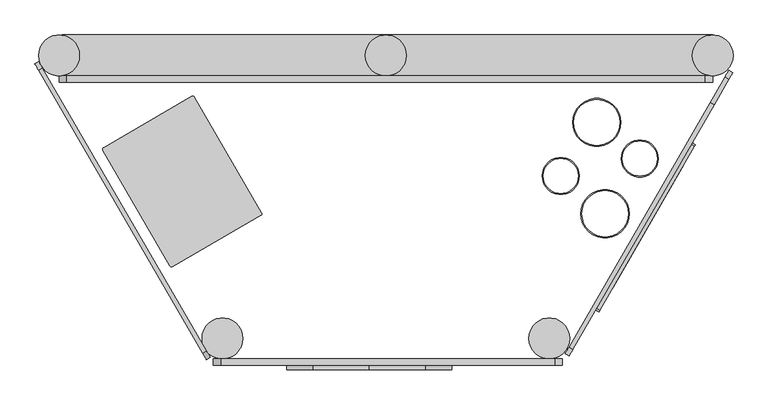
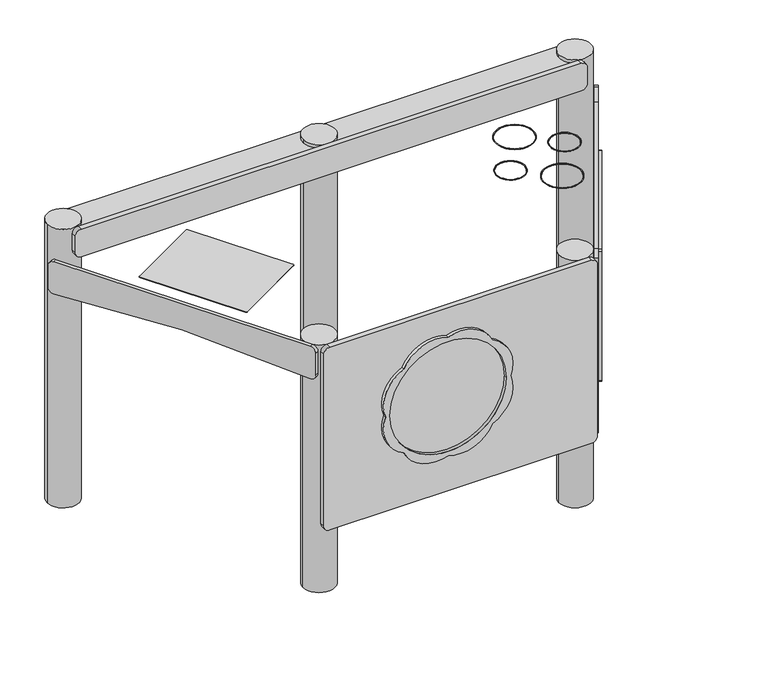
"""IFC4 building model written with IfcOpenShell, lengths in millimetres: furniture geometry."""

from ifc_helpers import new_model, si_unit, point, frame, frame_2d, origin, origin_2d, place, context, project, spatial, polyline, circle_curve, trimmed, segment, composite_curve, outline, extrude, source, transform, mapped, element, save
from ifc_brep_helpers import plane_surface, cylinder_surface, revolved_surface, advanced_brep


def furniture_b21cda7e(model_context):
    return source(origin(), model_context, "Body", "SolidModel", [
        extrude(outline(composite_curve([segment(polyline([(912.0, 1740.0), (912.0, 20.0)]), True, "CONTINUOUS"), segment(trimmed(circle_curve(frame_2d((892.0, 20.0)), 20.0), [point((912.0, 20.0))], [point((892.0, 0.0))], False, "CARTESIAN"), True, "CONTINUOUS"), segment(polyline([(892.0, 0.0), (832.0, 0.0)]), True, "CONTINUOUS"), segment(trimmed(circle_curve(frame_2d((832.0, 20.0)), 20.0), [point((832.0, 0.0))], [point((812.0, 20.0))], False, "CARTESIAN"), True, "CONTINUOUS"), segment(polyline([(812.0, 20.0), (812.0, 1740.0)]), True, "CONTINUOUS"), segment(trimmed(circle_curve(frame_2d((832.0, 1740.0)), 20.0), [point((812.0, 1740.0))], [point((832.0, 1760.0))], False, "CARTESIAN"), True, "CONTINUOUS"), segment(polyline([(832.0, 1760.0), (892.0, 1760.0)]), True, "CONTINUOUS"), segment(trimmed(circle_curve(frame_2d((892.0, 1740.0)), 20.0), [point((892.0, 1760.0))], [point((912.0, 1740.0))], False, "CARTESIAN"), True, "CONTINUOUS")], self_intersect=False)), frame((0.0, -72.5400568, 0.0), z_axis=(0.0, 1.0, 0.0), x_axis=(0.0, 0.0, 1.0)), (0.0, 0.0, 1.0), 17.5400568),
        advanced_brep(
        [(1760.0, 55.0, 900.0), (10.0, 55.0, 900.0), (7.030214, 54.5488413, 900.0), (55.0, 0.0, 900.0), (7.030214, -54.5488413, 900.0), (10.0, -55.0, 900.0), (1760.0, -55.0, 900.0), (1705.0, 0.0, 900.0), (1760.0, 55.0, 888.0), (1705.0, 0.0, 888.0), (1760.0, -55.0, 888.0), (10.0, -55.0, 888.0), (7.030214, -54.5488413, 888.0), (55.0, 0.0, 888.0), (7.030214, 54.5488413, 888.0), (10.0, 55.0, 888.0)],
        [
            (0, 1),
            (1, 2, circle_curve(frame((10.0, 45.0, 900.0), z_axis=(0.0, 0.0, 1.0), x_axis=(1.0, 0.0, 0.0)), 10.0)),
            (2, 3, circle_curve(frame((0.0, 0.0, 900.0), z_axis=(0.0, 0.0, -1.0), x_axis=(1.0, 0.0, 0.0)), 55.0)),
            (3, 4, circle_curve(frame((0.0, 0.0, 900.0), z_axis=(0.0, 0.0, -1.0), x_axis=(1.0, 0.0, 0.0)), 55.0)),
            (4, 5, circle_curve(frame((10.0, -45.0, 900.0), z_axis=(0.0, 0.0, 1.0), x_axis=(1.0, 0.0, 0.0)), 10.0)),
            (5, 6),
            (6, 7, circle_curve(frame((1760.0, 0.0, 900.0), z_axis=(0.0, 0.0, -1.0), x_axis=(1.0, 0.0, 0.0)), 55.0)),
            (7, 0, circle_curve(frame((1760.0, 0.0, 900.0), z_axis=(0.0, 0.0, -1.0), x_axis=(1.0, 0.0, 0.0)), 55.0)),
            (8, 9, circle_curve(frame((1760.0, 0.0, 888.0), z_axis=(0.0, 0.0, 1.0), x_axis=(1.0, 0.0, 0.0)), 55.0)),
            (9, 10, circle_curve(frame((1760.0, 0.0, 888.0), z_axis=(0.0, 0.0, 1.0), x_axis=(1.0, 0.0, 0.0)), 55.0)),
            (10, 11),
            (11, 12, circle_curve(frame((10.0, -45.0, 888.0), z_axis=(0.0, 0.0, -1.0), x_axis=(1.0, 0.0, 0.0)), 10.0)),
            (12, 13, circle_curve(frame((0.0, 0.0, 888.0), z_axis=(0.0, 0.0, 1.0), x_axis=(1.0, 0.0, 0.0)), 55.0)),
            (13, 14, circle_curve(frame((0.0, 0.0, 888.0), z_axis=(0.0, 0.0, 1.0), x_axis=(1.0, 0.0, 0.0)), 55.0)),
            (14, 15, circle_curve(frame((10.0, 45.0, 888.0), z_axis=(0.0, 0.0, -1.0), x_axis=(1.0, 0.0, 0.0)), 10.0)),
            (15, 8),
            (0, 8),
            (15, 1),
            (14, 2),
            (13, 3),
            (12, 4),
            (11, 5),
            (10, 6),
            (9, 7),
        ],
        [
            plane_surface(frame((54.9264069, 55.0, 900.0), z_axis=(0.0, 0.0, 1.0), x_axis=(-1.0, 0.0, 0.0))),
            plane_surface(frame((54.9264069, 55.0, 888.0), z_axis=(0.0, 0.0, -1.0), x_axis=(1.0, 0.0, 0.0))),
            plane_surface(frame((1760.0, 55.0, 900.0), z_axis=(0.0, 1.0, 0.0), x_axis=(0.0, 0.0, -1.0))),
            cylinder_surface(frame((10.0, 45.0, 888.0), z_axis=(0.0, 0.0, 1.0), x_axis=(1.0, 0.0, 0.0)), 10.0),
            revolved_surface(polyline([(55.0, 0.0, 888.0), (55.0, 0.0, 900.0)]), (0.0, 0.0, 888.0), (0.0, 0.0, -1.0)),
            cylinder_surface(frame((10.0, -45.0, 888.0), z_axis=(0.0, 0.0, 1.0), x_axis=(1.0, 0.0, 0.0)), 10.0),
            plane_surface(frame((10.0, -55.0, 900.0), z_axis=(0.0, -1.0, 0.0), x_axis=(0.0, 0.0, -1.0))),
            revolved_surface(polyline([(1815.0, 0.0, 888.0), (1815.0, 0.0, 900.0)]), (1760.0, 0.0, 888.0), (0.0, 0.0, -1.0)),
        ],
        [
            (0, [[1, 2, 3, 4, 5, 6, 7, 8]]),
            (1, [[9, 10, 11, 12, 13, 14, 15, 16]]),
            (2, [[-1, 17, -16, 18]]),
            (3, [[-2, -18, -15, 19]]),
            (4, [[-3, -19, -14, 20]]),
            (4, [[-4, -20, -13, 21]]),
            (5, [[-5, -21, -12, 22]]),
            (6, [[-6, -22, -11, 23]]),
            (7, [[-7, -23, -10, 24]]),
            (7, [[-8, -24, -9, -17]]),
        ],
    ),
        extrude(outline(composite_curve([segment(polyline([(134.984166, 434.9079904), (134.984166, 1334.9079904)]), True, "CONTINUOUS"), segment(trimmed(circle_curve(frame_2d((154.984166, 1334.9079904)), 20.0), [point((134.984166, 1334.9079904))], [point((154.984166, 1354.9079904))], False, "CARTESIAN"), True, "CONTINUOUS"), segment(polyline([(154.984166, 1354.9079904), (780.0, 1354.9079904)]), True, "CONTINUOUS"), segment(trimmed(circle_curve(frame_2d((780.0, 1334.9079904)), 20.0), [point((780.0, 1354.9079904))], [point((800.0, 1334.9079904))], False, "CARTESIAN"), True, "CONTINUOUS"), segment(polyline([(800.0, 1334.9079904), (800.0, 434.9079904)]), True, "CONTINUOUS"), segment(trimmed(circle_curve(frame_2d((780.0, 434.9079904)), 20.0), [point((800.0, 434.9079904))], [point((780.0, 414.9079904))], False, "CARTESIAN"), True, "CONTINUOUS"), segment(polyline([(780.0, 414.9079904), (154.984166, 414.9079904)]), True, "CONTINUOUS"), segment(trimmed(circle_curve(frame_2d((154.984166, 434.9079904)), 20.0), [point((154.984166, 414.9079904))], [point((134.984166, 434.9079904))], False, "CARTESIAN"), True, "CONTINUOUS")], self_intersect=False)), frame((0.0, -834.4104492, 0.0), z_axis=(0.0, 1.0, 0.0), x_axis=(0.0, 0.0, 1.0)), (0.0, 0.0, 1.0), 17.4104492),
        extrude(outline(composite_curve([segment(polyline([(-780.0, 0.0), (-20.0, 0.0)]), True, "CONTINUOUS"), segment(trimmed(circle_curve(frame_2d((-20.0, -20.0)), 20.0), [point((-20.0, 0.0))], [point((0.0, -20.0))], False, "CARTESIAN"), True, "CONTINUOUS"), segment(polyline([(0.0, -20.0), (0.0, -645.0432433)]), True, "CONTINUOUS"), segment(trimmed(circle_curve(frame_2d((-20.0, -645.0432433)), 20.0), [point((0.0, -645.0432433))], [point((-21.0467191, -665.015834))], False, "CARTESIAN"), True, "CONTINUOUS"), segment(polyline([(-21.0467191, -665.015834), (-860.0, -665.015834)]), True, "CONTINUOUS"), segment(trimmed(circle_curve(frame_2d((-860.0, -645.015834)), 20.0), [point((-860.0, -665.015834))], [point((-880.0, -645.015834))], False, "CARTESIAN"), True, "CONTINUOUS"), segment(polyline([(-880.0, -645.015834), (-880.0, -20.0)]), True, "CONTINUOUS"), segment(trimmed(circle_curve(frame_2d((-860.0, -20.0)), 20.0), [point((-880.0, -20.0))], [point((-860.0, 0.0))], False, "CARTESIAN"), True, "CONTINUOUS"), segment(polyline([(-860.0, 0.0), (-780.0, 0.0)]), True, "CONTINUOUS")], self_intersect=False)), frame((1373.7434808, -808.9059455, 800.0), z_axis=(-0.8660254037844382, 0.500000000000001, 0.0), x_axis=(-0.500000000000001, -0.8660254037844382, 0.0)), (0.0, 0.0, 1.0), 12.0),
        extrude(outline(composite_curve([segment(polyline([(-811.7725276, 0.0), (68.2274723, 0.0)]), True, "CONTINUOUS"), segment(trimmed(circle_curve(frame_2d((68.2274723, -20.0)), 20.0), [point((68.2274723, 0.0))], [point((88.2274724, -20.0))], False, "CARTESIAN"), True, "CONTINUOUS"), segment(polyline([(88.2274724, -20.0), (88.2274724, -97.5561272)]), True, "CONTINUOUS"), segment(trimmed(circle_curve(frame_2d((68.2274723, -97.5561272)), 20.0), [point((88.2274724, -97.5561272))], [point((65.9887279, -117.4304328))], False, "CARTESIAN"), True, "CONTINUOUS"), segment(trimmed(circle_curve(frame_2d((-371.7725276, -4003.6268237)), 3910.7745148), [point((65.9887279, -117.4304328))], [point((-809.5337831, -117.4304328))], True, "CARTESIAN"), True, "CONTINUOUS"), segment(trimmed(circle_curve(frame_2d((-811.7725276, -97.5561272)), 20.0), [point((-809.5337831, -117.4304328))], [point((-831.7725277, -97.5561272))], False, "CARTESIAN"), True, "CONTINUOUS"), segment(polyline([(-831.7725277, -97.5561272), (-831.7725277, -20.0)]), True, "CONTINUOUS"), segment(trimmed(circle_curve(frame_2d((-811.7725276, -20.0)), 20.0), [point((-831.7725277, -20.0))], [point((-811.7725276, 0.0))], False, "CARTESIAN"), True, "CONTINUOUS")], self_intersect=False)), frame((-20.6984381, -99.54674, 800.0), z_axis=(0.8650551777748035, 0.5016767279882568, 0.0), x_axis=(-0.5016767279882568, 0.8650551777748035, 0.0)), (0.0, 0.0, 1.0), 12.0),
        extrude(outline(composite_curve([segment(trimmed(circle_curve(frame_2d((440.0, -762.0)), 55.0), [point((385.0, -762.0))], [point((495.0, -762.0))], False, "CARTESIAN"), True, "CONTINUOUS"), segment(trimmed(circle_curve(frame_2d((440.0, -762.0)), 55.0), [point((495.0, -762.0))], [point((385.0, -762.0))], False, "CARTESIAN"), True, "CONTINUOUS")], self_intersect=False)), frame((0.0, 0.0, -100.0), z_axis=(0.0, 0.0, 1.0), x_axis=(1.0, 0.0, 0.0)), (0.0, 0.0, 1.0), 900.0),
        extrude(outline(composite_curve([segment(trimmed(circle_curve(frame_2d((1320.0, -762.0)), 55.0), [point((1265.0, -762.0))], [point((1375.0, -762.0))], False, "CARTESIAN"), True, "CONTINUOUS"), segment(trimmed(circle_curve(frame_2d((1320.0, -762.0)), 55.0), [point((1375.0, -762.0))], [point((1265.0, -762.0))], False, "CARTESIAN"), True, "CONTINUOUS")], self_intersect=False)), frame((0.0, 0.0, -100.0), z_axis=(0.0, 0.0, 1.0), x_axis=(1.0, 0.0, 0.0)), (0.0, 0.0, 1.0), 900.0),
        extrude(outline(composite_curve([segment(trimmed(circle_curve(frame_2d((880.0, 0.0)), 55.0), [point((825.0, 0.0))], [point((935.0, 0.0))], False, "CARTESIAN"), True, "CONTINUOUS"), segment(trimmed(circle_curve(frame_2d((880.0, 0.0)), 55.0), [point((935.0, 0.0))], [point((825.0, 0.0))], False, "CARTESIAN"), True, "CONTINUOUS")], self_intersect=False)), frame((0.0, 0.0, -100.0), z_axis=(0.0, 0.0, 1.0), x_axis=(1.0, 0.0, 0.0)), (0.0, 0.0, 1.0), 1012.0),
        extrude(outline(composite_curve([segment(trimmed(circle_curve(frame_2d((1760.0, 0.0)), 55.0), [point((1705.0, 0.0))], [point((1815.0, 0.0))], False, "CARTESIAN"), True, "CONTINUOUS"), segment(trimmed(circle_curve(frame_2d((1760.0, 0.0)), 55.0), [point((1815.0, 0.0))], [point((1705.0, 0.0))], False, "CARTESIAN"), True, "CONTINUOUS")], self_intersect=False)), frame((0.0, 0.0, -100.0), z_axis=(0.0, 0.0, 1.0), x_axis=(1.0, 0.0, 0.0)), (0.0, 0.0, 1.0), 1012.0),
        extrude(outline(composite_curve([segment(trimmed(circle_curve(origin_2d(), 55.0), [point((-55.0, 0.0))], [point((55.0, 0.0))], False, "CARTESIAN"), True, "CONTINUOUS"), segment(trimmed(circle_curve(origin_2d(), 55.0), [point((55.0, 0.0))], [point((-55.0, 0.0))], False, "CARTESIAN"), True, "CONTINUOUS")], self_intersect=False)), frame((0.0, 0.0, -100.0), z_axis=(0.0, 0.0, 1.0), x_axis=(1.0, 0.0, 0.0)), (0.0, 0.0, 1.0), 1012.0),
        extrude(outline(composite_curve([segment(polyline([(-515.0, 0.0), (-5.0000001, 0.0)]), True, "CONTINUOUS"), segment(trimmed(circle_curve(frame_2d((-5.0000001, -5.0)), 5.0), [point((-5.0000001, 0.0))], [point((0.0, -5.0))], False, "CARTESIAN"), True, "CONTINUOUS"), segment(polyline([(0.0, -5.0), (0.0, -475.0)]), True, "CONTINUOUS"), segment(trimmed(circle_curve(frame_2d((-5.0000001, -475.0)), 5.0), [point((0.0, -475.0))], [point((-5.0000001, -480.0))], False, "CARTESIAN"), True, "CONTINUOUS"), segment(polyline([(-5.0000001, -480.0), (-515.0, -480.0)]), True, "CONTINUOUS"), segment(trimmed(circle_curve(frame_2d((-515.0, -475.0)), 5.0), [point((-515.0, -480.0))], [point((-520.0, -475.0))], False, "CARTESIAN"), True, "CONTINUOUS"), segment(polyline([(-520.0, -475.0), (-520.0, -5.0)]), True, "CONTINUOUS"), segment(trimmed(circle_curve(frame_2d((-515.0, -5.0)), 5.0), [point((-520.0, -5.0))], [point((-515.0, 0.0))], False, "CARTESIAN"), True, "CONTINUOUS")], self_intersect=False), holes=[composite_curve([segment(trimmed(circle_curve(frame_2d((-447.121864, -155.2126351)), 5.0), [point((-447.121864, -150.2126351))], [point((-452.121864, -155.2126351))], True, "CARTESIAN"), True, "CONTINUOUS"), segment(polyline([(-452.121864, -155.2126351), (-452.121864, -425.2126351)]), True, "CONTINUOUS"), segment(trimmed(circle_curve(frame_2d((-447.121864, -425.2126351)), 5.0), [point((-452.121864, -425.2126351))], [point((-447.121864, -430.2126351))], True, "CARTESIAN"), True, "CONTINUOUS"), segment(polyline([(-447.121864, -430.2126351), (-77.121864, -430.2126351)]), True, "CONTINUOUS"), segment(trimmed(circle_curve(frame_2d((-77.121864, -425.2126351)), 5.0), [point((-77.121864, -430.2126351))], [point((-72.121864, -425.2126351))], True, "CARTESIAN"), True, "CONTINUOUS"), segment(polyline([(-72.121864, -425.2126351), (-72.121864, -155.2126351)]), True, "CONTINUOUS"), segment(trimmed(circle_curve(frame_2d((-77.121864, -155.2126351)), 5.0), [point((-72.121864, -155.2126351))], [point((-77.121864, -150.2126351))], True, "CARTESIAN"), True, "CONTINUOUS"), segment(polyline([(-77.121864, -150.2126351), (-447.121864, -150.2126351)]), True, "CONTINUOUS")], self_intersect=False)]), frame((1453.5286938, -690.7139029, 709.6672305), z_axis=(-0.8660254037844382, 0.5000000000000009, 0.0), x_axis=(-0.5000000000000009, -0.8660254037844382, 0.0)), (0.0, 0.0, 1.0), 10.0),
        extrude(outline(composite_curve([segment(polyline([(-439.2839543, -163.4181414), (-89.5724572, -163.4181414)]), True, "CONTINUOUS"), segment(trimmed(circle_curve(frame_2d((-89.5724572, -168.4181414)), 5.0), [point((-89.5724572, -163.4181414))], [point((-84.5724571, -168.4181414))], False, "CARTESIAN"), True, "CONTINUOUS"), segment(polyline([(-84.5724571, -168.4181414), (-84.5724571, -416.0960505)]), True, "CONTINUOUS"), segment(trimmed(circle_curve(frame_2d((-89.5724572, -416.0960505)), 5.0), [point((-84.5724571, -416.0960505))], [point((-89.5724572, -421.0960505))], False, "CARTESIAN"), True, "CONTINUOUS"), segment(polyline([(-89.5724572, -421.0960505), (-439.2839543, -421.0960505)]), True, "CONTINUOUS"), segment(trimmed(circle_curve(frame_2d((-439.2839543, -416.0960505)), 5.0), [point((-439.2839543, -421.0960505))], [point((-444.2839544, -416.0960505))], False, "CARTESIAN"), True, "CONTINUOUS"), segment(polyline([(-444.2839544, -416.0960505), (-444.2839544, -168.4181414)]), True, "CONTINUOUS"), segment(trimmed(circle_curve(frame_2d((-439.2839543, -168.4181414)), 5.0), [point((-444.2839544, -168.4181414))], [point((-439.2839543, -163.4181414))], False, "CARTESIAN"), True, "CONTINUOUS")], self_intersect=False)), frame((1453.5286938, -690.7139029, 709.6672305), z_axis=(-0.8660254037844382, 0.5000000000000009, 0.0), x_axis=(-0.5000000000000009, -0.8660254037844382, 0.0)), (0.0, 0.0, 1.0), 10.0),
        extrude(outline(composite_curve([segment(trimmed(circle_curve(frame_2d((529.7706823, 733.3146342)), 120.7614659), [point((639.612312, 683.133482))], [point((487.584354, 620.1614399))], False, "CARTESIAN"), True, "CONTINUOUS"), segment(trimmed(circle_curve(frame_2d((445.3980258, 733.3146342)), 120.7614659), [point((487.584354, 620.1614399))], [point((335.5563961, 683.133482))], False, "CARTESIAN"), True, "CONTINUOUS"), segment(trimmed(circle_curve(frame_2d((385.7375483, 792.9751117)), 120.7614659), [point((335.5563961, 683.133482))], [point((272.584354, 835.1614399))], False, "CARTESIAN"), True, "CONTINUOUS"), segment(trimmed(circle_curve(frame_2d((385.7375483, 877.3477682)), 120.7614659), [point((272.584354, 835.1614399))], [point((335.5563961, 987.1893979))], False, "CARTESIAN"), True, "CONTINUOUS"), segment(trimmed(circle_curve(frame_2d((445.3980258, 937.0082457)), 120.7614659), [point((335.5563961, 987.1893979))], [point((487.584354, 1050.1614399))], False, "CARTESIAN"), True, "CONTINUOUS"), segment(trimmed(circle_curve(frame_2d((529.7706823, 937.0082457)), 120.7614659), [point((487.584354, 1050.1614399))], [point((639.612312, 987.1893979))], False, "CARTESIAN"), True, "CONTINUOUS"), segment(trimmed(circle_curve(frame_2d((589.4311598, 877.3477682)), 120.7614659), [point((639.612312, 987.1893979))], [point((702.584354, 835.1614399))], False, "CARTESIAN"), True, "CONTINUOUS"), segment(trimmed(circle_curve(frame_2d((589.4311598, 792.9751117)), 120.7614659), [point((702.584354, 835.1614399))], [point((639.612312, 683.133482))], False, "CARTESIAN"), True, "CONTINUOUS")], self_intersect=False), holes=[composite_curve([segment(trimmed(circle_curve(frame_2d((487.584354, 835.1614399)), 200.0), [point((487.584354, 635.1614399))], [point((487.584354, 1035.1614399))], True, "CARTESIAN"), True, "CONTINUOUS"), segment(trimmed(circle_curve(frame_2d((487.584354, 835.1614399)), 200.0), [point((487.584354, 1035.1614399))], [point((487.584354, 635.1614399))], True, "CARTESIAN"), True, "CONTINUOUS")], self_intersect=False)]), frame((0.0, -846.4104492, 0.0), z_axis=(0.0, 1.0, 0.0), x_axis=(0.0, 0.0, 1.0)), (0.0, 0.0, 1.0), 12.0),
        extrude(outline(composite_curve([segment(trimmed(circle_curve(frame_2d((122.3031434, -253.0761258)), 5.0), [point((117.9778675, -255.5845094))], [point((119.7947597, -248.7508499))], False, "CARTESIAN"), True, "CONTINUOUS"), segment(polyline([(119.7947597, -248.7508499), (357.6849336, -110.7897497)]), True, "CONTINUOUS"), segment(trimmed(circle_curve(frame_2d((360.1933173, -115.1150256)), 5.0), [point((357.6849336, -110.7897497))], [point((364.5185931, -112.606642))], False, "CARTESIAN"), True, "CONTINUOUS"), segment(polyline([(364.5185931, -112.606642), (545.1222152, -424.026506)]), True, "CONTINUOUS"), segment(trimmed(circle_curve(frame_2d((540.7969393, -426.5348896)), 5.0), [point((545.1222152, -424.026506))], [point((543.305323, -430.8601655))], False, "CARTESIAN"), True, "CONTINUOUS"), segment(polyline([(543.305323, -430.8601655), (305.4151491, -568.8212657)]), True, "CONTINUOUS"), segment(trimmed(circle_curve(frame_2d((302.9067654, -564.4959898)), 5.0), [point((305.4151491, -568.8212657))], [point((298.5814896, -567.0043734))], False, "CARTESIAN"), True, "CONTINUOUS"), segment(polyline([(298.5814896, -567.0043734), (117.9778675, -255.5845094)]), True, "CONTINUOUS")], self_intersect=False)), frame((0.0, 0.0, 812.0), z_axis=(0.0, 0.0, 1.0), x_axis=(1.0, 0.0, 0.0)), (0.0, 0.0, 1.0), 1.0),
        extrude(outline(composite_curve([segment(trimmed(circle_curve(frame_2d((1563.8713657, -277.9471138)), 50.0), [point((1513.8713657, -277.9471138))], [point((1613.8713657, -277.9471138))], False, "CARTESIAN"), True, "CONTINUOUS"), segment(trimmed(circle_curve(frame_2d((1563.8713657, -277.9471138)), 50.0), [point((1613.8713657, -277.9471138))], [point((1513.8713657, -277.9471138))], False, "CARTESIAN"), True, "CONTINUOUS")], self_intersect=False), holes=[composite_curve([segment(trimmed(circle_curve(frame_2d((1563.8713657, -277.9471138)), 46.9646937), [point((1516.9066719, -277.9471138))], [point((1610.8360594, -277.9471138))], True, "CARTESIAN"), True, "CONTINUOUS"), segment(trimmed(circle_curve(frame_2d((1563.8713657, -277.9471138)), 46.9646937), [point((1610.8360594, -277.9471138))], [point((1516.9066719, -277.9471138))], True, "CARTESIAN"), True, "CONTINUOUS")], self_intersect=False)]), frame((0.0, 0.0, 812.0), z_axis=(0.0, 0.0, 1.0), x_axis=(1.0, 0.0, 0.0)), (0.0, 0.0, 1.0), 1.0),
        extrude(outline(composite_curve([segment(trimmed(circle_curve(frame_2d((1470.1635502, -426.3785692)), 65.0), [point((1405.1635502, -426.3785692))], [point((1535.1635502, -426.3785692))], False, "CARTESIAN"), True, "CONTINUOUS"), segment(trimmed(circle_curve(frame_2d((1470.1635502, -426.3785692)), 65.0), [point((1535.1635502, -426.3785692))], [point((1405.1635502, -426.3785692))], False, "CARTESIAN"), True, "CONTINUOUS")], self_intersect=False), holes=[composite_curve([segment(trimmed(circle_curve(frame_2d((1470.1635502, -426.3785692)), 62.0), [point((1408.1635502, -426.3785692))], [point((1532.1635502, -426.3785692))], True, "CARTESIAN"), True, "CONTINUOUS"), segment(trimmed(circle_curve(frame_2d((1470.1635502, -426.3785692)), 62.0), [point((1532.1635502, -426.3785692))], [point((1408.1635502, -426.3785692))], True, "CARTESIAN"), True, "CONTINUOUS")], self_intersect=False)]), frame((0.0, 0.0, 812.0), z_axis=(0.0, 0.0, 1.0), x_axis=(1.0, 0.0, 0.0)), (0.0, 0.0, 1.0), 1.0),
        extrude(outline(composite_curve([segment(trimmed(circle_curve(frame_2d((1448.1024948, -180.7571118)), 65.0), [point((1383.1024948, -180.7571118))], [point((1513.1024948, -180.7571118))], False, "CARTESIAN"), True, "CONTINUOUS"), segment(trimmed(circle_curve(frame_2d((1448.1024948, -180.7571118)), 65.0), [point((1513.1024948, -180.7571118))], [point((1383.1024948, -180.7571118))], False, "CARTESIAN"), True, "CONTINUOUS")], self_intersect=False), holes=[composite_curve([segment(trimmed(circle_curve(frame_2d((1448.1024948, -180.7571118)), 62.0), [point((1386.1024948, -180.7571118))], [point((1510.1024948, -180.7571118))], True, "CARTESIAN"), True, "CONTINUOUS"), segment(trimmed(circle_curve(frame_2d((1448.1024948, -180.7571118)), 62.0), [point((1510.1024948, -180.7571118))], [point((1386.1024948, -180.7571118))], True, "CARTESIAN"), True, "CONTINUOUS")], self_intersect=False)]), frame((0.0, 0.0, 812.0), z_axis=(0.0, 0.0, 1.0), x_axis=(1.0, 0.0, 0.0)), (0.0, 0.0, 1.0), 1.0),
        extrude(outline(composite_curve([segment(trimmed(circle_curve(frame_2d((1350.9329038, -324.8208695)), 50.0), [point((1300.9329038, -324.8208695))], [point((1400.9329038, -324.8208695))], False, "CARTESIAN"), True, "CONTINUOUS"), segment(trimmed(circle_curve(frame_2d((1350.9329038, -324.8208695)), 50.0), [point((1400.9329038, -324.8208695))], [point((1300.9329038, -324.8208695))], False, "CARTESIAN"), True, "CONTINUOUS")], self_intersect=False), holes=[composite_curve([segment(trimmed(circle_curve(frame_2d((1350.9329038, -324.8208695)), 46.9646937), [point((1303.96821, -324.8208695))], [point((1397.8975975, -324.8208695))], True, "CARTESIAN"), True, "CONTINUOUS"), segment(trimmed(circle_curve(frame_2d((1350.9329038, -324.8208695)), 46.9646937), [point((1397.8975975, -324.8208695))], [point((1303.96821, -324.8208695))], True, "CARTESIAN"), True, "CONTINUOUS")], self_intersect=False)]), frame((0.0, 0.0, 812.0), z_axis=(0.0, 0.0, 1.0), x_axis=(1.0, 0.0, 0.0)), (0.0, 0.0, 1.0), 1.0),
    ])


if __name__ == "__main__":
    model = new_model("IFC4")
    model_context = context("Model", 3, world=origin())
    ifc_project = project(units=[si_unit("LENGTHUNIT", "METRE", prefix="MILLI")], contexts=[model_context])
    site = spatial("IfcSite", under=ifc_project)
    building = spatial("IfcBuilding", under=site)
    placement = place(None, origin())
    furniture_shape = furniture_b21cda7e(model_context)
    element("IfcFurniture", 1, at=placement, inside=building, context=model_context, shape_type="MappedRepresentation", body=[
        mapped(furniture_shape, transform((0.0, 0.0, 0.0), x_axis=(1.0, 0.0, 0.0), y_axis=(0.0, 1.0, 0.0), z_axis=(0.0, 0.0, 1.0))),
    ])
    save(model, "model.ifc")
